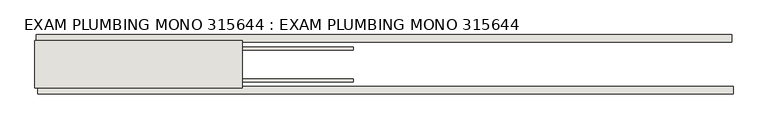
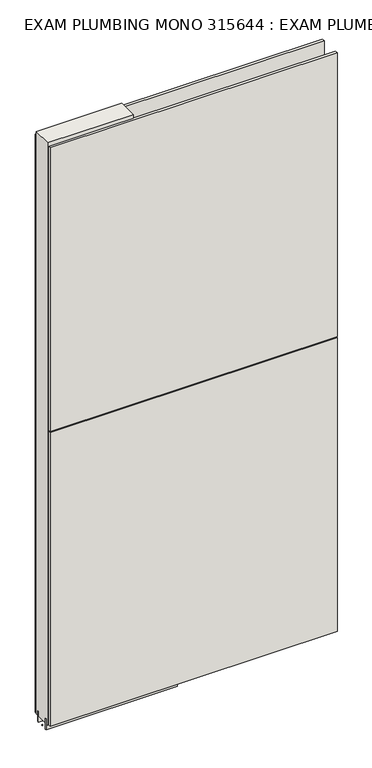
"""IFC4 building model written with IfcOpenShell, lengths in millimetres: wall geometry, EXAM PLUMBING MONO 315644 : EXAM PLUMBING MONO 315644."""

from ifc_helpers import new_model, si_unit, frame, origin, place, context, project, spatial, polyline, outline, extrude, source, transform, mapped, element, save


def exam_plumbing_mono_315644_exam_plumbing_mono_315644_3270c812(model_context):
    return source(origin(), model_context, "Body", "SweptSolid", [
        extrude(outline(polyline([(74559.255504, -53335.9245954), (74556.715504, -53335.9245954), (74556.715504, -53333.3845954), (74559.255504, -53333.3845954), (74559.255504, -53335.9245954)])), frame((0.0, 0.0, 4419.6), z_axis=(0.0, 0.0, 1.0), x_axis=(1.0, 0.0, 0.0)), (0.0, 0.0, 1.0), 2.54),
        extrude(outline(polyline([(74558.7121091, -53283.8545954), (75752.2123129, -53283.8545954), (75752.2123129, -53296.5545954), (74558.7121091, -53296.5545954), (74558.7121091, -53283.8545954)])), frame((0.0, 0.0, 4445.0), z_axis=(0.0, 0.0, 1.0), x_axis=(1.0, 0.0, 0.0)), (0.0, 0.0, 1.0), 2545.0498756),
        extrude(outline(polyline([(75754.6803801, -53385.4545954), (74561.1801763, -53385.4545954), (74561.1801763, -53372.7545954), (75754.6803801, -53372.7545954), (75754.6803801, -53385.4545954)])), frame((0.0, 0.0, 4445.0), z_axis=(0.0, 0.0, 1.0), x_axis=(1.0, 0.0, 0.0)), (0.0, 0.0, 1.0), 1293.400004),
        extrude(outline(polyline([(75754.6803801, -53385.4545954), (74561.1801763, -53385.4545954), (74561.1801763, -53372.7545954), (75754.6803801, -53372.7545954), (75754.6803801, -53385.4545954)])), frame((0.0, 0.0, 5742.4000722), z_axis=(0.0, 0.0, 1.0), x_axis=(1.0, 0.0, 0.0)), (0.0, 0.0, 1.0), 1247.649905),
        extrude(outline(polyline([(75102.820457, -53309.5708508), (74556.720457, -53309.5708508), (74556.720457, -53304.4920954), (75102.820457, -53304.4920954), (75102.820457, -53309.5708508)])), frame((0.0, 0.0, 4418.6602), z_axis=(0.0, 0.0, 1.0), x_axis=(1.0, 0.0, 0.0)), (0.0, 0.0, 1.0), 47.625),
        extrude(outline(polyline([(75102.820457, -53309.5708508), (74556.720457, -53309.5708508), (74556.720457, -53304.4920954), (75102.820457, -53304.4920954), (75102.820457, -53309.5708508)])), frame((0.0, 0.0, 4418.6602), z_axis=(0.0, 0.0, 1.0), x_axis=(1.0, 0.0, 0.0)), (0.0, 0.0, 1.0), 47.625),
        extrude(outline(polyline([(74556.720457, -53359.73834), (75102.820457, -53359.73834), (75102.820457, -53364.8170954), (74556.720457, -53364.8170954), (74556.720457, -53359.73834)])), frame((0.0, 0.0, 4418.6602), z_axis=(0.0, 0.0, 1.0), x_axis=(1.0, 0.0, 0.0)), (0.0, 0.0, 1.0), 47.625),
        extrude(outline(polyline([(74556.720457, -53359.73834), (75102.820457, -53359.73834), (75102.820457, -53364.8170954), (74556.720457, -53364.8170954), (74556.720457, -53359.73834)])), frame((0.0, 0.0, 4418.6602), z_axis=(0.0, 0.0, 1.0), x_axis=(1.0, 0.0, 0.0)), (0.0, 0.0, 1.0), 47.625),
        extrude(outline(polyline([(74912.320457, -53293.999711), (74912.320457, -53375.3032822), (74556.720457, -53375.3032822), (74556.720457, -53293.999711), (74912.320457, -53293.999711)])), frame((0.0, 0.0, 4445.0), z_axis=(0.0, 0.0, 1.0), x_axis=(1.0, 0.0, 0.0)), (0.0, 0.0, 1.0), 2562.4536762),
    ])


if __name__ == "__main__":
    model = new_model("IFC4")
    model_context = context("Model", 3, world=origin())
    ifc_project = project(units=[si_unit("LENGTHUNIT", "METRE", prefix="MILLI")], contexts=[model_context])
    site = spatial("IfcSite", under=ifc_project)
    building = spatial("IfcBuilding", under=site)
    placement = place(None, origin())
    exam_plumbing_mono_315644_exam_plumbing_mono_315644_shape = exam_plumbing_mono_315644_exam_plumbing_mono_315644_3270c812(model_context)
    element("IfcWall", 1, ObjectType="EXAM PLUMBING MONO 315644 : EXAM PLUMBING MONO 315644", at=placement, inside=building, context=model_context, shape_type="MappedRepresentation", body=[
        mapped(exam_plumbing_mono_315644_exam_plumbing_mono_315644_shape, transform((0.0, 0.0, 0.0), x_axis=(1.0, 0.0, 0.0), y_axis=(0.0, 1.0, 0.0), z_axis=(0.0, 0.0, 1.0))),
    ])
    save(model, "model.ifc")
